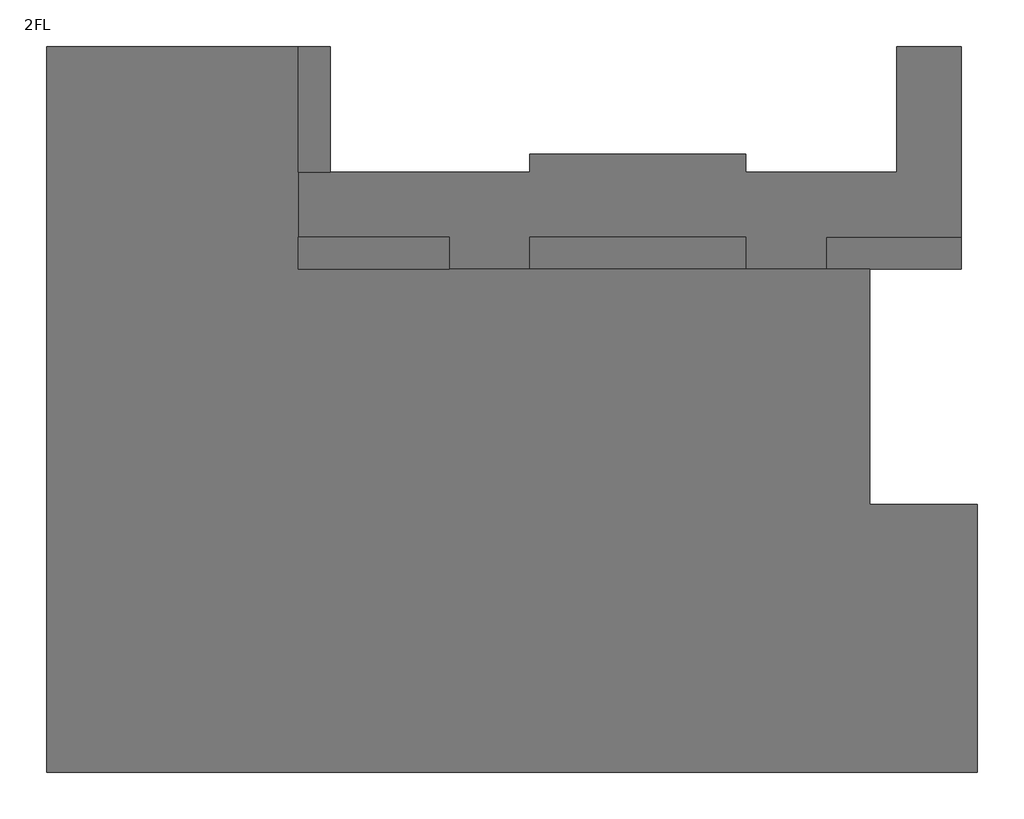
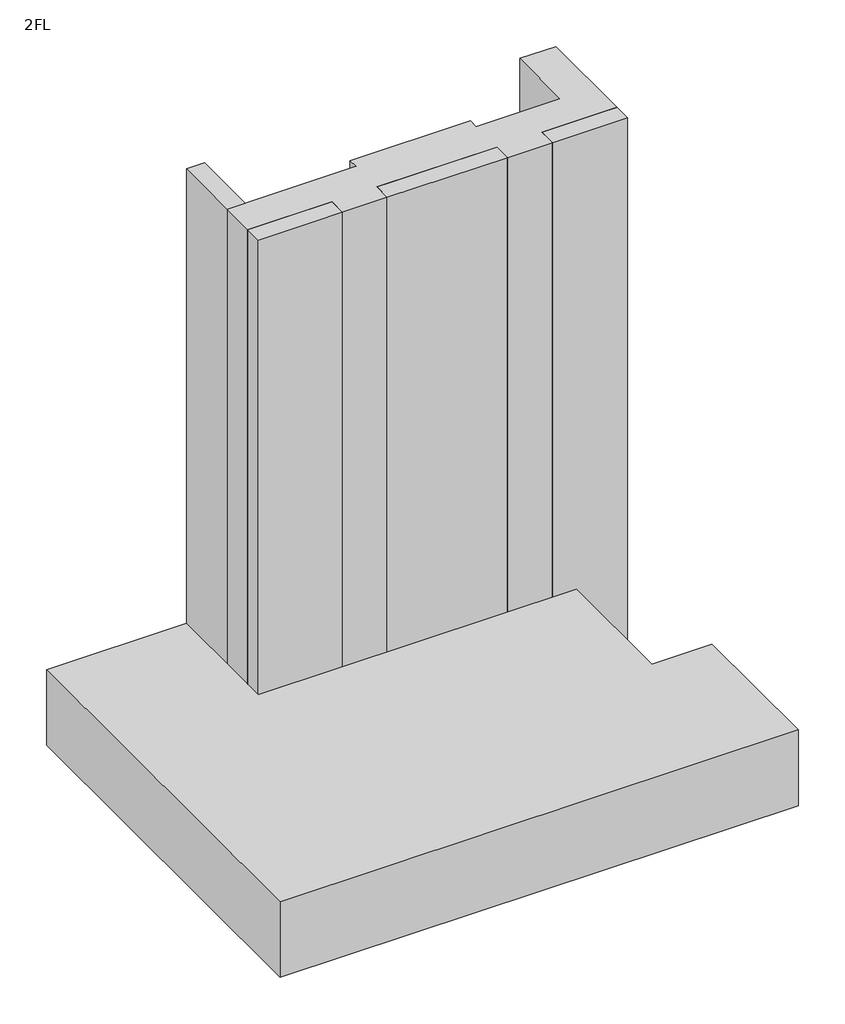
# One storey: 6 proxies.
"""IFC4 building model written with IfcOpenShell, lengths in millimetres."""

from ifc_helpers import new_model, si_unit, frame, origin, place, context, project, spatial, polyline, outline, extrude, element, save

model = new_model("IFC4")

# Units and contexts
model_context = context("Model", 3, world=origin())
ifc_project = project(units=[si_unit("LENGTHUNIT", "METRE", prefix="MILLI")], contexts=[model_context])

# Site, building, storey
site = spatial("IfcSite", under=ifc_project)
building = spatial("IfcBuilding", under=site)
storey = spatial("IfcBuildingStorey", under=building, Name="2FL", Elevation=4600.0)

# Proxies
placement = place(None, origin())
element("IfcBuildingElementProxy", 1, Name="Mass", at=placement, inside=storey, context=model_context, shape_type="SweptSolid", body=[
    extrude(outline(polyline([(-20945.9784025, 16649.6868987), (-20945.9784025, 13149.6868987), (-21845.9784025, 13149.6868987), (-21845.9784025, 16649.6868987), (-20945.9784025, 16649.6868987)])), frame((0.0, 0.0, 4600.0), z_axis=(0.0, 0.0, 1.0), x_axis=(1.0, 0.0, 0.0)), (0.0, 0.0, 1.0), 28000.0),
])
element("IfcBuildingElementProxy", 2, Name="Mass", at=placement, inside=storey, context=model_context, shape_type="SweptSolid", body=[
    extrude(outline(polyline([(-17645.9784025, 11349.6868987), (-17645.9784025, 10449.6868987), (-21845.9784025, 10449.6868987), (-21845.9784025, 11349.6868987), (-17645.9784025, 11349.6868987)])), frame((0.0, 0.0, 4600.0), z_axis=(0.0, 0.0, 1.0), x_axis=(1.0, 0.0, 0.0)), (0.0, 0.0, 1.0), 28000.0),
])
element("IfcBuildingElementProxy", 3, Name="Mass", at=placement, inside=storey, context=model_context, shape_type="SweptSolid", body=[
    extrude(outline(polyline([(-9395.9784025, 11349.6868987), (-9395.9784025, 10449.6868987), (-15395.9784025, 10449.6868987), (-15395.9784025, 11349.6868987), (-9395.9784025, 11349.6868987)])), frame((0.0, 0.0, 4600.0), z_axis=(0.0, 0.0, 1.0), x_axis=(1.0, 0.0, 0.0)), (0.0, 0.0, 1.0), 28000.0),
])
element("IfcBuildingElementProxy", 4, Name="Mass", at=placement, inside=storey, context=model_context, shape_type="SweptSolid", body=[
    extrude(outline(polyline([(-3395.9784025, 11349.6868987), (-3395.9784025, 10449.6868987), (-7145.9784025, 10449.6868987), (-7145.9784025, 11349.6868987), (-3395.9784025, 11349.6868987)])), frame((0.0, 0.0, 4600.0), z_axis=(0.0, 0.0, 1.0), x_axis=(1.0, 0.0, 0.0)), (0.0, 0.0, 1.0), 28000.0),
])
element("IfcBuildingElementProxy", 5, Name="Mass", at=placement, inside=storey, context=model_context, shape_type="SweptSolid", body=[
    extrude(outline(polyline([(-15395.9784025, 13149.6868987), (-15395.9784025, 13649.6868987), (-9395.9784025, 13649.6868987), (-9395.9784025, 13149.6868987), (-5195.9784025, 13149.6868987), (-5195.9784025, 16649.6868987), (-3395.9784025, 16649.6868987), (-3395.9784025, 11349.6868987), (-7145.9784025, 11349.6868987), (-7145.9784025, 10449.6868987), (-9395.9784025, 10449.6868987), (-9395.9784025, 11349.6868987), (-15395.9784025, 11349.6868987), (-15395.9784025, 10449.6868987), (-17645.9784025, 10449.6868987), (-17645.9784025, 11349.6868987), (-21845.9784025, 11349.6868987), (-21845.9784025, 13149.6868987), (-15395.9784025, 13149.6868987)])), frame((0.0, 0.0, 4600.0), z_axis=(0.0, 0.0, 1.0), x_axis=(1.0, 0.0, 0.0)), (0.0, 0.0, 1.0), 28000.0),
])
element("IfcBuildingElementProxy", 6, Name="Mass", at=placement, inside=storey, context=model_context, shape_type="SweptSolid", body=[
    extrude(outline(polyline([(-28845.9784025, -3550.3131013), (-28845.9784025, 16649.6868987), (-21845.9784025, 16649.6868987), (-21845.9784025, 10449.6868987), (-5945.9784025, 10449.6868987), (-5945.9784025, 3899.6868987), (-2945.9784025, 3899.6868987), (-2945.9784025, -3550.3131013), (-28845.9784025, -3550.3131013)])), frame((0.0, 0.0, 4600.0), z_axis=(0.0, 0.0, 1.0), x_axis=(1.0, 0.0, 0.0)), (0.0, 0.0, 1.0), 4000.0),
])

save(model, "model.ifc")
